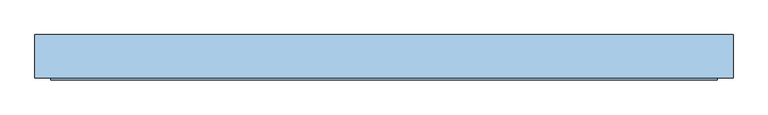
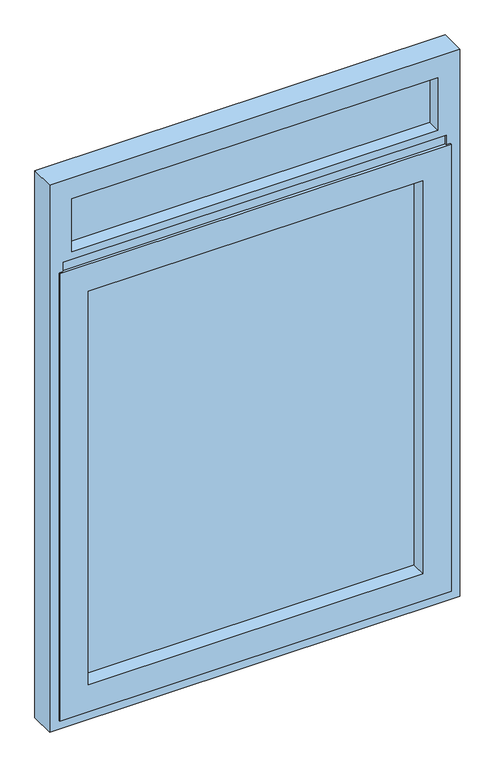
"""IFC4 building model written with IfcOpenShell, lengths in millimetres: window geometry."""

from ifc_helpers import new_model, si_unit, frame, origin, place, context, project, spatial, polyline, outline, extrude, faceted_brep, source, transform, mapped, element, save


def window_8c5a6ffa(model_context):
    return source(origin(), model_context, "Body", "SolidModel", [
        faceted_brep([(-508.0, -30.0, 2175.8), (-508.0, 22.0, 2175.8), (-508.0, 22.0, 942.0), (-508.0, -30.0, 942.0), (508.0, 22.0, 2175.8), (508.0, 22.0, 942.0), (-492.0, 22.0, 958.0), (492.0, 22.0, 958.0), (492.0, 22.0, 2159.8), (-492.0, 22.0, 2159.8), (508.0, -30.0, 942.0), (-525.0, -30.0, 2192.8), (525.0, -30.0, 2192.8), (525.0, -30.0, 925.0), (-525.0, -30.0, 925.0), (508.0, -30.0, 2175.8), (-525.0, -37.5, 2192.8), (-525.0, -37.5, 925.0), (525.0, -37.5, 925.0), (525.0, -37.5, 2192.8), (-448.5, -37.5, 2116.3), (448.5, -37.5, 2116.3), (448.5, -37.5, 1001.5), (-448.5, -37.5, 1001.5), (-448.5, 30.0, 2116.3), (-448.5, 30.0, 1001.5), (448.5, 30.0, 1001.5), (-492.0, 30.0, 2159.8), (492.0, 30.0, 2159.8), (492.0, 30.0, 958.0), (-492.0, 30.0, 958.0), (448.5, 30.0, 2116.3)], [[[0, 1, 2, 3]], [[1, 4, 5, 2], [6, 7, 8, 9]], [[3, 2, 5, 10]], [[11, 12, 13, 14], [3, 10, 15, 0]], [[16, 11, 14, 17]], [[17, 14, 13, 18]], [[17, 18, 19, 16], [20, 21, 22, 23]], [[24, 20, 23, 25]], [[25, 23, 22, 26]], [[27, 28, 29, 30], [25, 26, 31, 24]], [[9, 27, 30, 6]], [[6, 30, 29, 7]], [[10, 5, 4, 15]], [[18, 13, 12, 19]], [[26, 22, 21, 31]], [[7, 29, 28, 8]], [[15, 4, 1, 0]], [[19, 12, 11, 16]], [[31, 21, 20, 24]], [[8, 28, 27, 9]]]),
        extrude(outline(polyline([(448.5, 4.0), (-448.5, 4.0), (-448.5, 10.0), (448.5, 10.0), (448.5, 4.0)])), frame((0.0, 0.0, 1001.5), z_axis=(0.0, 0.0, 1.0), x_axis=(1.0, 0.0, 0.0)), (0.0, 0.0, 1.0), 1114.8),
        extrude(outline(polyline([(492.0, 4.0), (-492.0, 4.0), (-492.0, 10.0), (492.0, 10.0), (492.0, 4.0)])), frame((0.0, 0.0, 2240.2), z_axis=(0.0, 0.0, 1.0), x_axis=(1.0, 0.0, 0.0)), (0.0, 0.0, 1.0), 151.8),
        extrude(outline(polyline([(448.5, 16.0), (-448.5, 16.0), (-448.5, 22.0), (448.5, 22.0), (448.5, 16.0)])), frame((0.0, 0.0, 1001.5), z_axis=(0.0, 0.0, 1.0), x_axis=(1.0, 0.0, 0.0)), (0.0, 0.0, 1.0), 1114.8),
        extrude(outline(polyline([(492.0, 16.0), (-492.0, 16.0), (-492.0, 22.0), (492.0, 22.0), (492.0, 16.0)])), frame((0.0, 0.0, 2240.2), z_axis=(0.0, 0.0, 1.0), x_axis=(1.0, 0.0, 0.0)), (0.0, 0.0, 1.0), 151.8),
        faceted_brep([(550.0, 34.0, 900.0), (550.0, -34.0, 900.0), (-550.0, -34.0, 900.0), (-550.0, 34.0, 900.0), (550.0, 34.0, 2450.0), (550.0, -34.0, 2450.0), (-550.0, 34.0, 2450.0), (491.0, 34.0, 959.0), (491.0, 34.0, 2391.0), (-491.0, 34.0, 2391.0), (-491.0, 34.0, 959.0), (-550.0, -34.0, 2450.0), (513.0, -34.0, 937.0), (-513.0, -34.0, 937.0), (-513.0, -34.0, 2219.2), (513.0, -34.0, 2219.2), (491.0, -34.0, 2391.0), (491.0, -34.0, 2241.2), (-491.0, -34.0, 2241.2), (-491.0, -34.0, 2391.0), (513.0, 29.0, 937.0), (-513.0, 29.0, 937.0), (513.0, 22.0, 2219.2), (513.0, 22.0, 2218.2), (513.0, -30.0, 2218.2), (513.0, -30.0, 2181.8), (513.0, 22.0, 2181.8), (513.0, 22.0, 2159.8), (513.0, 29.0, 2159.8), (491.0, 29.0, 2159.8), (491.0, 29.0, 959.0), (-491.0, 29.0, 959.0), (-491.0, 29.0, 2159.8), (-513.0, 29.0, 2159.8), (491.0, 30.0, 2159.8), (491.0, 30.0, 2240.2), (491.0, 29.0, 2240.2), (491.0, 29.0, 2241.2), (-513.0, 22.0, 2159.8), (-513.0, 22.0, 2181.8), (-513.0, -30.0, 2181.8), (-513.0, -30.0, 2218.2), (-513.0, 22.0, 2218.2), (-513.0, 22.0, 2219.2), (-491.0, 29.0, 2241.2), (-491.0, 29.0, 2240.2), (-491.0, 30.0, 2240.2), (-491.0, 30.0, 2159.8)], [[[0, 1, 2, 3]], [[1, 0, 4, 5]], [[4, 0, 3, 6], [7, 8, 9, 10]], [[1, 5, 11, 2], [12, 13, 14, 15], [16, 17, 18, 19]], [[12, 20, 21, 13]], [[20, 12, 15, 22, 23, 24, 25, 26, 27, 28]], [[21, 20, 28, 29, 30, 31, 32, 33]], [[30, 7, 10, 31]], [[7, 30, 29, 34, 35, 36, 37, 17, 16, 8]], [[11, 6, 3, 2]], [[13, 21, 33, 38, 39, 40, 41, 42, 43, 14]], [[9, 19, 18, 44, 45, 46, 47, 32, 31, 10]], [[5, 4, 6, 11]], [[8, 16, 19, 9]], [[46, 35, 34, 47]], [[47, 34, 29, 28, 27, 38, 33, 32]], [[38, 27, 26, 39]], [[39, 26, 25, 40]], [[40, 25, 24, 41]], [[41, 24, 23, 42]], [[42, 23, 22, 43]], [[35, 46, 45, 36]], [[44, 37, 36, 45]], [[37, 44, 18, 17]], [[15, 14, 43, 22]]]),
    ])


if __name__ == "__main__":
    model = new_model("IFC4")
    model_context = context("Model", 3, world=origin())
    ifc_project = project(units=[si_unit("LENGTHUNIT", "METRE", prefix="MILLI")], contexts=[model_context])
    site = spatial("IfcSite", under=ifc_project)
    building = spatial("IfcBuilding", under=site)
    placement = place(None, origin())
    window_shape = window_8c5a6ffa(model_context)
    element("IfcWindow", 1, at=placement, inside=building, context=model_context, shape_type="MappedRepresentation", body=[
        mapped(window_shape, transform((0.0, 0.0, 0.0), x_axis=(1.0, 0.0, 0.0), y_axis=(0.0, 1.0, 0.0), z_axis=(0.0, 0.0, 1.0))),
    ])
    save(model, "model.ifc")
